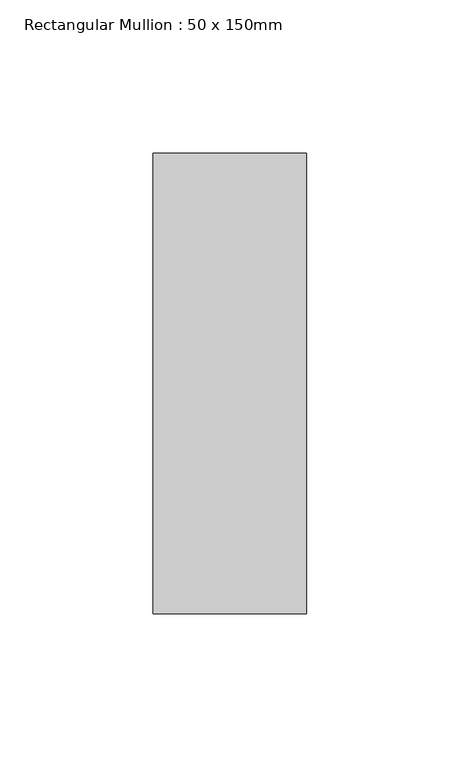
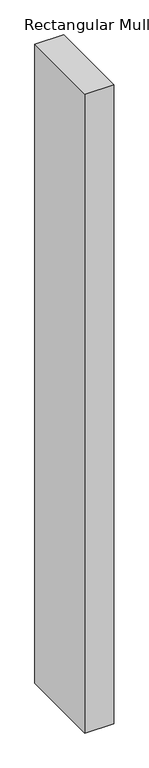
"""IFC4 building model written with IfcOpenShell, lengths in millimetres: member geometry, Rectangular Mullion : 50 x 150mm."""

from ifc_helpers import new_model, si_unit, frame, origin, place, context, project, spatial, polyline, outline, extrude, source, transform, mapped, element, save


def rectangular_mullion_50_x_150mm_e01a5b88(model_context):
    return source(origin(), model_context, "Body", "SweptSolid", [
        extrude(outline(polyline([(25.0, 75.0), (25.0, -75.0), (-25.0, -75.0), (-25.0, 75.0), (25.0, 75.0)])), frame((0.0, 0.0, -1171.4022256), z_axis=(0.0, 0.0, 1.0), x_axis=(1.0, 0.0, 0.0)), (0.0, 0.0, 1.0), 1171.4022256),
    ])


if __name__ == "__main__":
    model = new_model("IFC4")
    model_context = context("Model", 3, world=origin())
    ifc_project = project(units=[si_unit("LENGTHUNIT", "METRE", prefix="MILLI")], contexts=[model_context])
    site = spatial("IfcSite", under=ifc_project)
    building = spatial("IfcBuilding", under=site)
    placement = place(None, origin())
    rectangular_mullion_50_x_150mm_shape = rectangular_mullion_50_x_150mm_e01a5b88(model_context)
    element("IfcMember", 1, ObjectType="Rectangular Mullion : 50 x 150mm", at=placement, inside=building, context=model_context, shape_type="MappedRepresentation", body=[
        mapped(rectangular_mullion_50_x_150mm_shape, transform((0.0, 0.0, 0.0), x_axis=(1.0, 0.0, 0.0), y_axis=(0.0, 1.0, 0.0), z_axis=(0.0, 0.0, 1.0))),
    ])
    save(model, "model.ifc")
